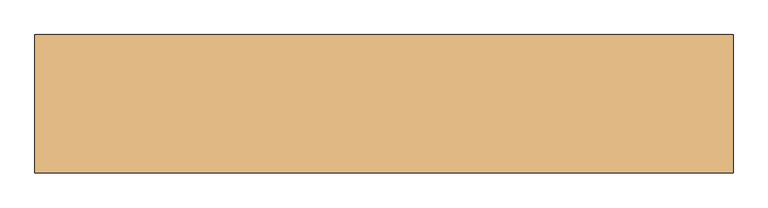
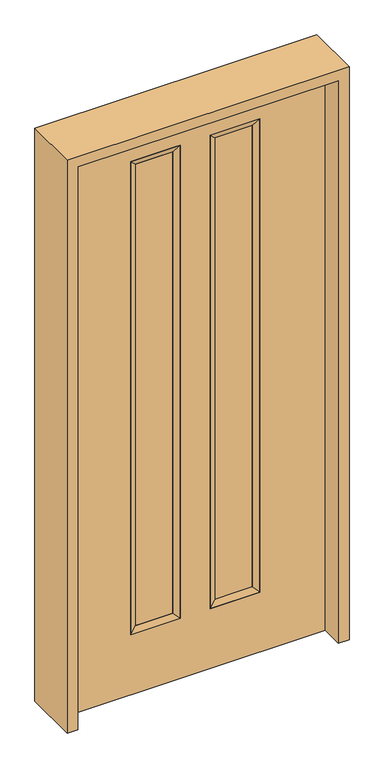
"""IFC4 building model written with IfcOpenShell, lengths in millimetres: door geometry."""

from ifc_helpers import new_model, si_unit, frame, origin, place, context, project, spatial, polyline, outline, extrude, faceted_brep, source, transform, mapped, element, save


def door_3c500f61(model_context):
    return source(origin(), model_context, "Body", "SolidModel", [
        faceted_brep([(264.414, 22.225, 2311.4), (239.014, 14.2875, 2286.0), (86.614, 14.2875, 2286.0), (61.214, 22.225, 2311.4), (239.014, -12.7039749, 2286.0), (86.614, -12.7039749, 2286.0), (264.414, -22.225, 2311.4), (61.214, -22.225, 2311.4), (86.614, 14.2875, 285.75), (61.214, 22.225, 260.35), (86.614, -12.7039749, 285.75), (61.214, -22.225, 260.35), (239.014, 14.2875, 285.75), (264.414, 22.225, 260.35), (239.014, -12.7039749, 285.75), (264.414, -22.225, 260.35)], [[[0, 1, 2, 3]], [[1, 4, 5, 2]], [[4, 6, 7, 5]], [[6, 0, 3, 7]], [[3, 2, 8, 9]], [[2, 5, 10, 8]], [[5, 7, 11, 10]], [[7, 3, 9, 11]], [[9, 8, 12, 13]], [[8, 10, 14, 12]], [[10, 11, 15, 14]], [[11, 9, 13, 15]], [[13, 12, 1, 0]], [[12, 14, 4, 1]], [[14, 15, 6, 4]], [[15, 13, 0, 6]]]),
        faceted_brep([(-239.014, 14.2875, 2286.0), (-264.414, 22.225, 2311.4), (-61.214, 22.225, 2311.4), (-86.614, 14.2875, 2286.0), (-239.014, -12.7039749, 2286.0), (-86.614, -12.7039749, 2286.0), (-264.414, -22.225, 2311.4), (-61.214, -22.225, 2311.4), (-61.214, 22.225, 260.35), (-86.614, 14.2875, 285.75), (-86.614, -12.7039749, 285.75), (-61.214, -22.225, 260.35), (-264.414, 22.225, 260.35), (-239.014, 14.2875, 285.75), (-239.014, -12.7039749, 285.75), (-264.414, -22.225, 260.35)], [[[0, 1, 2, 3]], [[4, 0, 3, 5]], [[6, 4, 5, 7]], [[1, 6, 7, 2]], [[3, 2, 8, 9]], [[5, 3, 9, 10]], [[7, 5, 10, 11]], [[2, 7, 11, 8]], [[9, 8, 12, 13]], [[10, 9, 13, 14]], [[11, 10, 14, 15]], [[8, 11, 15, 12]], [[13, 12, 1, 0]], [[14, 13, 0, 4]], [[15, 14, 4, 6]], [[12, 15, 6, 1]]]),
        extrude(outline(polyline([(0.0, -533.4), (0.0, 533.4), (2438.4, 533.4), (2438.4, -533.4), (0.0, -533.4)]), holes=[polyline([(260.35, -264.414), (2311.4, -264.414), (2311.4, -61.214), (260.35, -61.214), (260.35, -264.414)]), polyline([(260.35, 61.214), (2311.4, 61.214), (2311.4, 264.414), (260.35, 264.414), (260.35, 61.214)])]), frame((0.0, -22.225, 0.0), z_axis=(0.0, 1.0, 0.0), x_axis=(0.0, 0.0, 1.0)), (0.0, 0.0, 1.0), 44.45),
        extrude(outline(polyline([(-86.614, -12.7039749), (-239.014, -12.7039749), (-239.014, 14.2875), (-86.614, 14.2875), (-86.614, -12.7039749)])), frame((0.0, 0.0, 285.75), z_axis=(0.0, 0.0, 1.0), x_axis=(1.0, 0.0, 0.0)), (0.0, 0.0, 1.0), 2000.25),
        extrude(outline(polyline([(239.014, -12.7039749), (86.614, -12.7039749), (86.614, 14.2875), (239.014, 14.2875), (239.014, -12.7039749)])), frame((0.0, 0.0, 285.75), z_axis=(0.0, 0.0, 1.0), x_axis=(1.0, 0.0, 0.0)), (0.0, 0.0, 1.0), 2000.25),
        extrude(outline(polyline([(0.0, -577.85), (0.0, -533.4), (2438.4, -533.4), (2438.4, 533.4), (0.0, 533.4), (0.0, 577.85), (2482.85, 577.85), (2482.85, -577.85), (0.0, -577.85)])), frame((0.0, -114.3, 0.0), z_axis=(0.0, 1.0, 0.0), x_axis=(0.0, 0.0, 1.0)), (0.0, 0.0, 1.0), 228.6),
    ])


if __name__ == "__main__":
    model = new_model("IFC4")
    model_context = context("Model", 3, world=origin())
    ifc_project = project(units=[si_unit("LENGTHUNIT", "METRE", prefix="MILLI")], contexts=[model_context])
    site = spatial("IfcSite", under=ifc_project)
    building = spatial("IfcBuilding", under=site)
    placement = place(None, origin())
    door_shape = door_3c500f61(model_context)
    element("IfcDoor", 1, at=placement, inside=building, context=model_context, shape_type="MappedRepresentation", body=[
        mapped(door_shape, transform((0.0, 0.0, 0.0), x_axis=(1.0, 0.0, 0.0), y_axis=(0.0, 1.0, 0.0), z_axis=(0.0, 0.0, 1.0))),
    ])
    save(model, "model.ifc")
